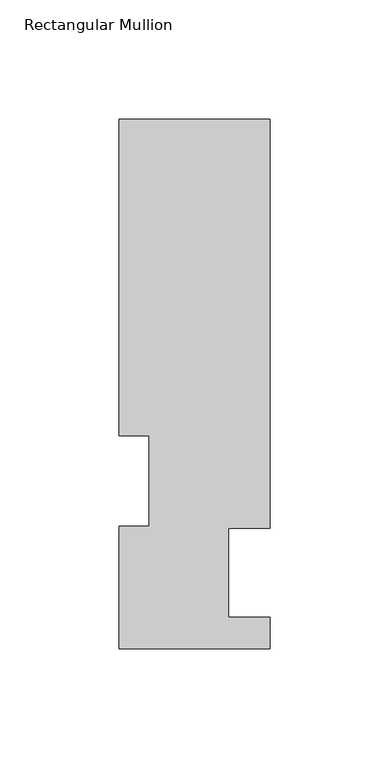
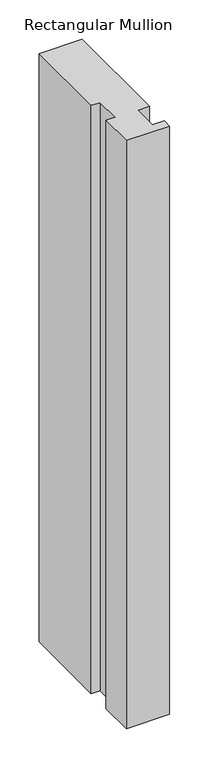
"""IFC4 building model written with IfcOpenShell, lengths in millimetres: member geometry, Rectangular Mullion."""

from ifc_helpers import new_model, si_unit, frame, origin, place, context, project, spatial, polyline, outline, extrude, source, transform, mapped, element, save


def rectangular_mullion_c6c89501(model_context):
    return source(origin(), model_context, "Body", "SweptSolid", [
        extrude(outline(polyline([(31.7500002, 222.5381313), (31.7500002, 50.8087295), (14.2747994, 50.8087295), (14.2747994, 13.3945312), (31.7500002, 13.3945312), (31.7500002, 0.2119312), (-31.7499998, 0.2119312), (-31.7499998, 51.4945316), (-19.0499998, 51.4945316), (-19.0499998, 89.5945312), (-31.7499998, 89.5945312), (-31.7499998, 222.5381313), (31.7500002, 222.5381313)])), frame((0.0, 0.0, -914.4), z_axis=(0.0, 0.0, 1.0), x_axis=(1.0, 0.0, 0.0)), (0.0, 0.0, 1.0), 914.4),
    ])


if __name__ == "__main__":
    model = new_model("IFC4")
    model_context = context("Model", 3, world=origin())
    ifc_project = project(units=[si_unit("LENGTHUNIT", "METRE", prefix="MILLI")], contexts=[model_context])
    site = spatial("IfcSite", under=ifc_project)
    building = spatial("IfcBuilding", under=site)
    placement = place(None, origin())
    rectangular_mullion_shape = rectangular_mullion_c6c89501(model_context)
    element("IfcMember", 1, ObjectType="Rectangular Mullion", at=placement, inside=building, context=model_context, shape_type="MappedRepresentation", body=[
        mapped(rectangular_mullion_shape, transform((0.0, 0.0, 0.0), x_axis=(1.0, 0.0, 0.0), y_axis=(0.0, 1.0, 0.0), z_axis=(0.0, 0.0, 1.0))),
    ])
    save(model, "model.ifc")
